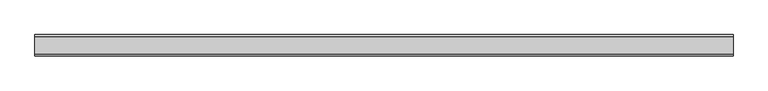
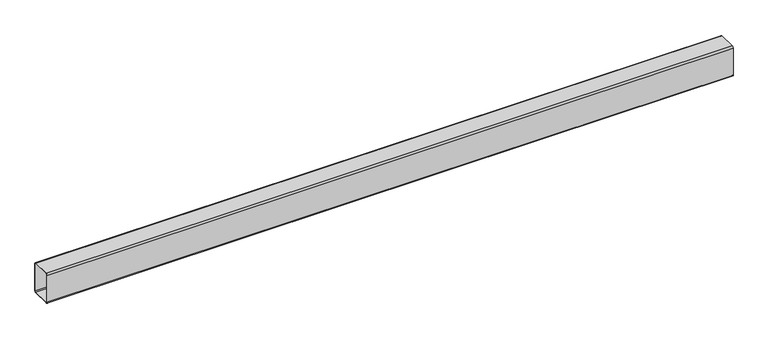
"""IFC4 building model written with IfcOpenShell, lengths in millimetres: beam geometry."""

from ifc_helpers import new_model, si_unit, point, frame, frame_2d, origin, place, context, project, spatial, polyline, circle_curve, trimmed, segment, composite_curve, outline, extrude, source, transform, mapped, element, save


def beam_65ca843b(model_context):
    return source(origin(), model_context, "Body", "SweptSolid", [
        extrude(outline(composite_curve([segment(trimmed(circle_curve(frame_2d((85.0, 136.6100358)), 15.0), [point((85.0, 151.6100358))], [point((100.0, 136.6100358))], False, "CARTESIAN"), True, "CONTINUOUS"), segment(polyline([(100.0, 136.6100358), (100.0, -133.3899642)]), True, "CONTINUOUS"), segment(trimmed(circle_curve(frame_2d((85.0, -133.3899642)), 15.0), [point((100.0, -133.3899642))], [point((85.0, -148.3899642))], False, "CARTESIAN"), True, "CONTINUOUS"), segment(polyline([(85.0, -148.3899642), (-85.0, -148.3899642)]), True, "CONTINUOUS"), segment(trimmed(circle_curve(frame_2d((-85.0, -133.3899642)), 15.0), [point((-85.0, -148.3899642))], [point((-100.0, -133.3899642))], False, "CARTESIAN"), True, "CONTINUOUS"), segment(polyline([(-100.0, -133.3899642), (-100.0, 136.6100358)]), True, "CONTINUOUS"), segment(trimmed(circle_curve(frame_2d((-85.0, 136.6100358)), 15.0), [point((-100.0, 136.6100358))], [point((-85.0, 151.6100358))], False, "CARTESIAN"), True, "CONTINUOUS"), segment(polyline([(-85.0, 151.6100358), (85.0, 151.6100358)]), True, "CONTINUOUS")], self_intersect=False), holes=[composite_curve([segment(polyline([(95.0, -134.3899642), (95.0, 137.6100358)]), True, "CONTINUOUS"), segment(trimmed(circle_curve(frame_2d((86.0, 137.6100358)), 9.0), [point((95.0, 137.6100358))], [point((86.0, 146.6100358))], True, "CARTESIAN"), True, "CONTINUOUS"), segment(polyline([(86.0, 146.6100358), (-86.0, 146.6100358)]), True, "CONTINUOUS"), segment(trimmed(circle_curve(frame_2d((-86.0, 137.6100358)), 9.0), [point((-86.0, 146.6100358))], [point((-95.0, 137.6100358))], True, "CARTESIAN"), True, "CONTINUOUS"), segment(polyline([(-95.0, 137.6100358), (-95.0, -134.3899642)]), True, "CONTINUOUS"), segment(trimmed(circle_curve(frame_2d((-86.0, -134.3899642)), 9.0), [point((-95.0, -134.3899642))], [point((-86.0, -143.3899642))], True, "CARTESIAN"), True, "CONTINUOUS"), segment(polyline([(-86.0, -143.3899642), (86.0, -143.3899642)]), True, "CONTINUOUS"), segment(trimmed(circle_curve(frame_2d((86.0, -134.3899642)), 9.0), [point((86.0, -143.3899642))], [point((95.0, -134.3899642))], True, "CARTESIAN"), True, "CONTINUOUS")], self_intersect=False)]), frame((-3237.3, 0.0, 0.0), z_axis=(1.0, 0.0, 0.0), x_axis=(0.0, 1.0, 0.0)), (0.0, 0.0, 1.0), 6574.6),
    ])


if __name__ == "__main__":
    model = new_model("IFC4")
    model_context = context("Model", 3, world=origin())
    ifc_project = project(units=[si_unit("LENGTHUNIT", "METRE", prefix="MILLI")], contexts=[model_context])
    site = spatial("IfcSite", under=ifc_project)
    building = spatial("IfcBuilding", under=site)
    placement = place(None, origin())
    beam_shape = beam_65ca843b(model_context)
    element("IfcBeam", 1, at=placement, inside=building, context=model_context, shape_type="MappedRepresentation", body=[
        mapped(beam_shape, transform((0.0, 0.0, 0.0), x_axis=(1.0, 0.0, 0.0), y_axis=(0.0, 1.0, 0.0), z_axis=(0.0, 0.0, 1.0))),
    ])
    save(model, "model.ifc")
